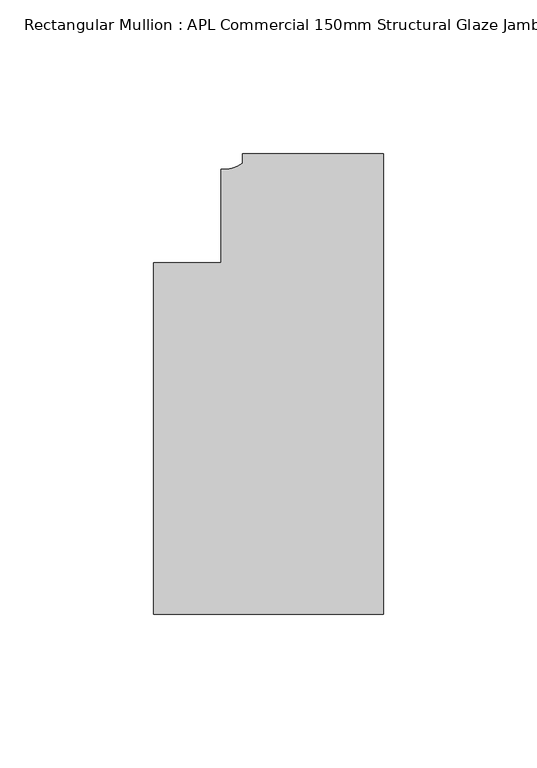
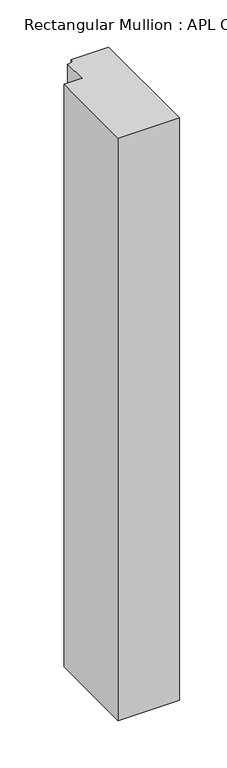
"""IFC4 building model written with IfcOpenShell, lengths in millimetres: member geometry, Rectangular Mullion : APL Commercial 150mm Structural Glaze Jamb Frame (right)."""

from ifc_helpers import new_model, si_unit, point, frame, frame_2d, origin, place, context, project, spatial, polyline, circle_curve, trimmed, segment, composite_curve, outline, extrude, source, transform, mapped, element, save


def rectangular_mullion_apl_commercial_150mm_structural_glaze_31bd2d6f(model_context):
    return source(origin(), model_context, "Body", "SweptSolid", [
        extrude(outline(composite_curve([segment(polyline([(0.0, 20.5), (0.0, -129.4999988), (-75.0, -129.4999988), (-75.0, -15.0000829), (-52.9999391, -15.0000829), (-52.9999391, 15.3797475)]), True, "CONTINUOUS"), segment(trimmed(circle_curve(frame_2d((-52.1098019, 25.7981812)), 10.4563907), [point((-52.9999391, 15.3797475))], [point((-46.0, 17.3125212))], True, "CARTESIAN"), True, "CONTINUOUS"), segment(polyline([(-46.0, 17.3125212), (-46.0, 20.5), (0.0, 20.5)]), True, "CONTINUOUS")], self_intersect=False)), frame((0.0, 0.0, -751.0049991), z_axis=(0.0, 0.0, 1.0), x_axis=(1.0, 0.0, 0.0)), (0.0, 0.0, 1.0), 751.0049991),
    ])


if __name__ == "__main__":
    model = new_model("IFC4")
    model_context = context("Model", 3, world=origin())
    ifc_project = project(units=[si_unit("LENGTHUNIT", "METRE", prefix="MILLI")], contexts=[model_context])
    site = spatial("IfcSite", under=ifc_project)
    building = spatial("IfcBuilding", under=site)
    placement = place(None, origin())
    rectangular_mullion_apl_commercial_150mm_structural_glaze_shape = rectangular_mullion_apl_commercial_150mm_structural_glaze_31bd2d6f(model_context)
    element("IfcMember", 1, ObjectType="Rectangular Mullion : APL Commercial 150mm Structural Glaze Jamb Frame (right)", at=placement, inside=building, context=model_context, shape_type="MappedRepresentation", body=[
        mapped(rectangular_mullion_apl_commercial_150mm_structural_glaze_shape, transform((0.0, 0.0, 0.0), x_axis=(1.0, 0.0, 0.0), y_axis=(0.0, 1.0, 0.0), z_axis=(0.0, 0.0, 1.0))),
    ])
    save(model, "model.ifc")
